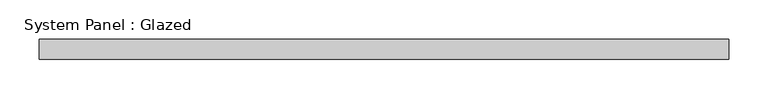
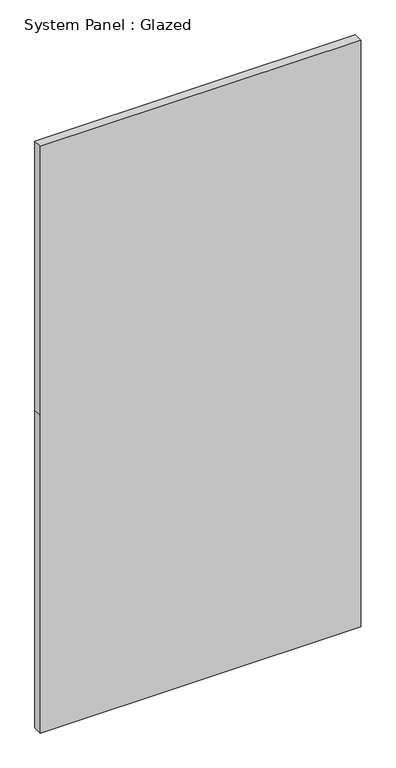
"""IFC4 building model written with IfcOpenShell, lengths in millimetres: plate geometry, System Panel : Glazed."""

from ifc_helpers import new_model, si_unit, frame, origin, place, context, project, spatial, polyline, outline, extrude, source, transform, mapped, element, save


def system_panel_glazed_2435c9e1(model_context):
    return source(origin(), model_context, "Body", "SweptSolid", [
        extrude(outline(polyline([(0.0, -436.6666667), (0.0, 436.6666667), (915.0, 436.6666667), (1690.0, 436.6666667), (1690.0, -436.6666667), (915.0, -436.6666667), (0.0, -436.6666667)])), frame((0.0, -49.5, 0.0), z_axis=(0.0, 1.0, 0.0), x_axis=(0.0, 0.0, 1.0)), (0.0, 0.0, 1.0), 25.0),
    ])


if __name__ == "__main__":
    model = new_model("IFC4")
    model_context = context("Model", 3, world=origin())
    ifc_project = project(units=[si_unit("LENGTHUNIT", "METRE", prefix="MILLI")], contexts=[model_context])
    site = spatial("IfcSite", under=ifc_project)
    building = spatial("IfcBuilding", under=site)
    placement = place(None, origin())
    system_panel_glazed_shape = system_panel_glazed_2435c9e1(model_context)
    element("IfcPlate", 1, ObjectType="System Panel : Glazed", at=placement, inside=building, context=model_context, shape_type="MappedRepresentation", body=[
        mapped(system_panel_glazed_shape, transform((0.0, 0.0, 0.0), x_axis=(1.0, 0.0, 0.0), y_axis=(0.0, 1.0, 0.0), z_axis=(0.0, 0.0, 1.0))),
    ])
    save(model, "model.ifc")
